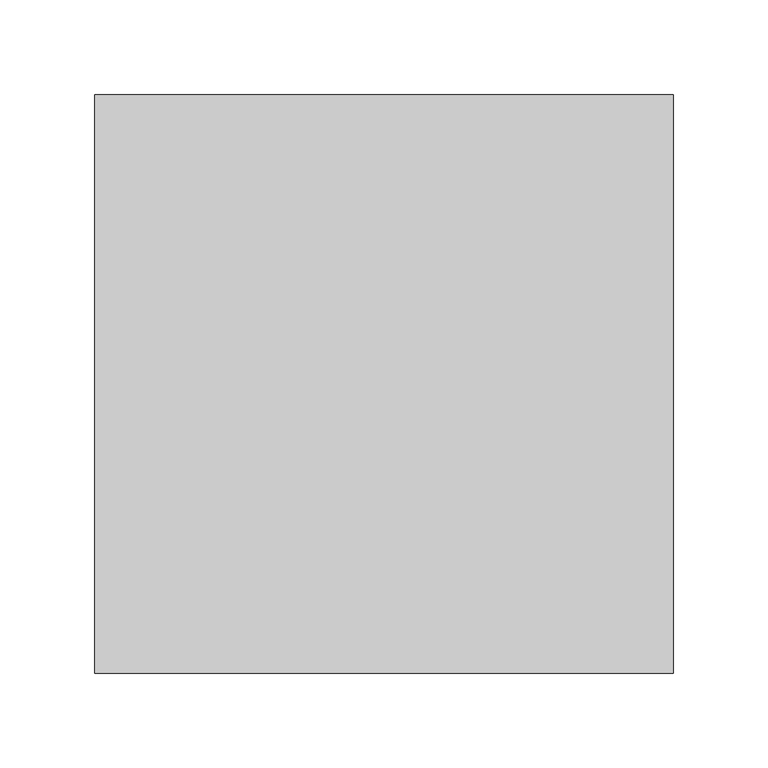
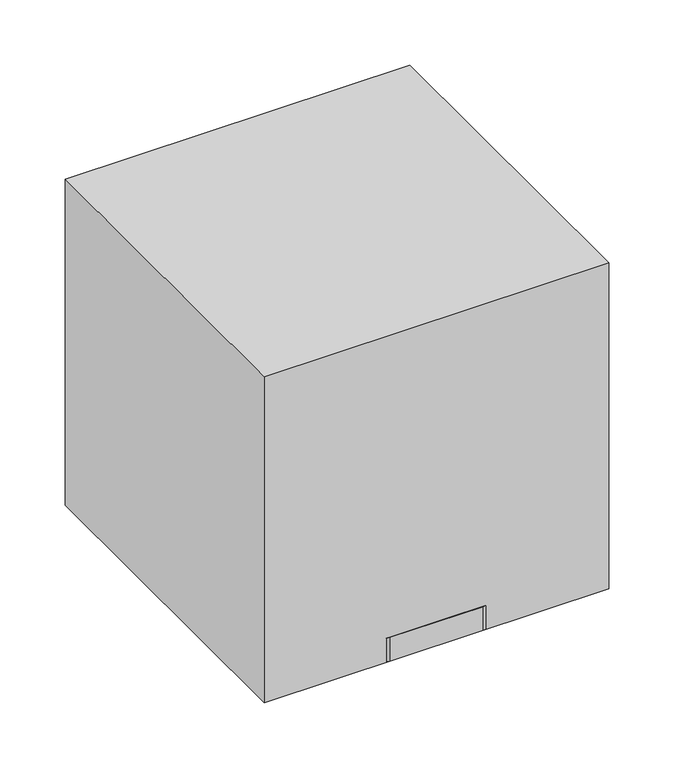
"""IFC4 building model written with IfcOpenShell, lengths in millimetres: proxy geometry."""

import ifcopenshell
import ifcopenshell.guid

model = None  # the IFC model being written
_history = None  # IfcOwnerHistory: only IFC2X3 demands one
_inside = {}  # id of a spatial element -> (the spatial element, [elements in it])
_under = {}  # id of a project, library or spatial element -> (it, [spatial elements below it])
_declared = {}  # id of a project -> (the project, [libraries it declares])
_typed = {}  # id of a type object -> (the type object, [elements of that type])
_made_of = {}  # id of a material, layer set ... -> (it, [elements and type objects made of it])


def new_model(schema):
    """Start an empty IFC model of exactly this schema.

    Asked for "IFC4X3", IfcOpenShell would pick the latest addendum, in which some entities
    have other attributes; the version numbers below select the first issue.
    IFC2X3 requires an IfcOwnerHistory on every rooted entity: one is made here for all.
    """
    global model, _history
    if schema == "IFC4X3":
        model = ifcopenshell.file(schema_version=(4, 3, 0, 0))
    else:
        model = ifcopenshell.file(schema=schema)
    _inside.clear()
    _under.clear()
    _declared.clear()
    _typed.clear()
    _made_of.clear()
    _history = None
    if model.schema == "IFC2X3":
        org = make("IfcOrganization", Name="unknown")
        user = make(
            "IfcPersonAndOrganization",
            ThePerson=make("IfcPerson", FamilyName="unknown"),
            TheOrganization=org,
        )
        app = make(
            "IfcApplication",
            ApplicationDeveloper=org,
            Version="unknown",
            ApplicationFullName="unknown",
            ApplicationIdentifier="unknown",
        )
        _history = make(
            "IfcOwnerHistory",
            OwningUser=user,
            OwningApplication=app,
            ChangeAction="ADDED",
            CreationDate=0,
        )
    return model


def make(cls, **values):
    """One entity of the class cls with the attributes given. An attribute that is None is left unset."""
    return model.create_entity(
        cls, **{name: value for name, value in values.items() if value is not None}
    )


def rooted(cls, **values):
    """An entity with a GlobalId (a new one), such as an element, a storey or a relation."""
    return make(cls, GlobalId=ifcopenshell.guid.new(), OwnerHistory=_history, **values)


def si_unit(unit_type, name, prefix=None):
    """IfcSIUnit, for example si_unit("LENGTHUNIT", "METRE", prefix="MILLI")."""
    return make("IfcSIUnit", UnitType=unit_type, Prefix=prefix, Name=name)


def assignment(units):
    """IfcUnitAssignment: the units of a project."""
    return None if units is None else make("IfcUnitAssignment", Units=units)


def point(xyz):
    """IfcCartesianPoint."""
    return None if xyz is None else make("IfcCartesianPoint", Coordinates=xyz)


def direction(xyz):
    """IfcDirection."""
    return None if xyz is None else make("IfcDirection", DirectionRatios=xyz)


def frame(location, z_axis=None, x_axis=None):
    """IfcAxis2Placement3D, a coordinate frame: its origin and axes. An axis left out is left unset."""
    return make(
        "IfcAxis2Placement3D",
        Location=point(location),
        Axis=direction(z_axis),
        RefDirection=direction(x_axis),
    )


def frame_2d(location, x_axis=None):
    """IfcAxis2Placement2D, a coordinate frame in the plane: its origin and x axis."""
    return make(
        "IfcAxis2Placement2D", Location=point(location), RefDirection=direction(x_axis)
    )


def origin():
    """The frame at (0, 0, 0) with its axes left unset."""
    return frame((0.0, 0.0, 0.0))


def origin_with_axes():
    """The frame at (0, 0, 0) with the z axis (0, 0, 1) and the x axis (1, 0, 0) written out."""
    return frame((0.0, 0.0, 0.0), z_axis=(0.0, 0.0, 1.0), x_axis=(1.0, 0.0, 0.0))


def origin_2d():
    """The frame at (0, 0) in the plane with its x axis left unset."""
    return frame_2d((0.0, 0.0))


def place(relative_to, where):
    """IfcLocalPlacement: puts the frame where relative to a parent placement (None: the world)."""
    return make(
        "IfcLocalPlacement", PlacementRelTo=relative_to, RelativePlacement=where
    )


def context(
    kind, dimensions, precision=None, world=None, true_north=None, identifier=None
):
    """IfcGeometricRepresentationContext, for example the 3D "Model" context."""
    return make(
        "IfcGeometricRepresentationContext",
        ContextIdentifier=identifier,
        ContextType=kind,
        CoordinateSpaceDimension=dimensions,
        Precision=precision,
        WorldCoordinateSystem=world,
        TrueNorth=true_north,
    )


def project(units=None, contexts=None):
    """IfcProject with its units and contexts."""
    return rooted(
        "IfcProject",
        Name="project",
        RepresentationContexts=contexts,
        UnitsInContext=assignment(units),
    )


def spatial(cls, under=None, at=None, **own):
    """A site, building, storey or space (cls), placed at a placement, below another one or the project."""
    s = rooted(cls, ObjectPlacement=at, **own)
    if under is not None:
        _under.setdefault(under.id(), (under, []))[1].append(s)
    return s


def polyline(points):
    """IfcPolyline through the points."""
    return make("IfcPolyline", Points=[point(p) for p in points])


def circle_curve(where, radius):
    """IfcCircle in the frame where."""
    return make("IfcCircle", Position=where, Radius=radius)


def ellipse_curve(where, semi_axis1, semi_axis2):
    """IfcEllipse in the frame where."""
    return make(
        "IfcEllipse", Position=where, SemiAxis1=semi_axis1, SemiAxis2=semi_axis2
    )


def trimmed(basis, trim1, trim2, sense, master):
    """IfcTrimmedCurve: the piece of a basis curve between two trims."""
    return make(
        "IfcTrimmedCurve",
        BasisCurve=basis,
        Trim1=trim1,
        Trim2=trim2,
        SenseAgreement=sense,
        MasterRepresentation=master,
    )


def segment(curve, same_sense, transition):
    """IfcCompositeCurveSegment."""
    return make(
        "IfcCompositeCurveSegment",
        Transition=transition,
        SameSense=same_sense,
        ParentCurve=curve,
    )


def composite_curve(segments, self_intersect=None):
    """IfcCompositeCurve: segments joined end to end."""
    return make("IfcCompositeCurve", Segments=segments, SelfIntersect=self_intersect)


def outline(outer, holes=None, kind="AREA"):
    """IfcArbitraryClosedProfileDef: a profile drawn as a closed curve; with holes, ...WithVoids."""
    if holes is None:
        return make("IfcArbitraryClosedProfileDef", ProfileType=kind, OuterCurve=outer)
    return make(
        "IfcArbitraryProfileDefWithVoids",
        ProfileType=kind,
        OuterCurve=outer,
        InnerCurves=holes,
    )


def extrude(swept, where, along, depth):
    """IfcExtrudedAreaSolid: the profile swept, set in the frame where, extruded along a direction by depth."""
    return make(
        "IfcExtrudedAreaSolid",
        SweptArea=swept,
        Position=where,
        ExtrudedDirection=direction(along),
        Depth=depth,
    )


def shape(context_of_items, identifier, shape_type, items):
    """IfcShapeRepresentation: the items that make up one representation, for example the "Body"."""
    return make(
        "IfcShapeRepresentation",
        ContextOfItems=context_of_items,
        RepresentationIdentifier=identifier,
        RepresentationType=shape_type,
        Items=items,
    )


def source(mapping_origin, context_of_items, identifier, shape_type, items):
    """IfcRepresentationMap: a shape defined once, which mapped items show again and again."""
    return make(
        "IfcRepresentationMap",
        MappingOrigin=mapping_origin,
        MappedRepresentation=shape(context_of_items, identifier, shape_type, items),
    )


def transform(
    local_origin,
    x_axis=None,
    y_axis=None,
    z_axis=None,
    scale=None,
    scale2=None,
    scale3=None,
    uniform=True,
):
    """IfcCartesianTransformationOperator3D, or its non-uniform kind. x_axis, y_axis, z_axis: its Axis1, 2, 3."""
    if uniform:
        return make(
            "IfcCartesianTransformationOperator3D",
            Axis1=direction(x_axis),
            Axis2=direction(y_axis),
            LocalOrigin=point(local_origin),
            Scale=scale,
            Axis3=direction(z_axis),
        )
    return make(
        "IfcCartesianTransformationOperator3DnonUniform",
        Axis1=direction(x_axis),
        Axis2=direction(y_axis),
        LocalOrigin=point(local_origin),
        Scale=scale,
        Axis3=direction(z_axis),
        Scale2=scale2,
        Scale3=scale3,
    )


def mapped(mapping_source, mapping_target):
    """IfcMappedItem: shows the shape of a source again, moved by a transform."""
    return make(
        "IfcMappedItem", MappingSource=mapping_source, MappingTarget=mapping_target
    )


def made_of(thing, what):
    """Note that an element or type object is made of a material, layer set ...; save() writes the relation."""
    if what is not None:
        _made_of.setdefault(what.id(), (what, []))[1].append(thing)
    return thing


def element(
    cls,
    number,
    at=None,
    inside=None,
    cuts=None,
    type_object=None,
    material=None,
    context=None,
    identifier="Body",
    shape_type=None,
    held_by="IfcProductDefinitionShape",
    body=None,
    shapes=None,
    **own,
):
    """One element of the class cls, such as IfcWall. Its Tag is "e" and its number.

    at: its placement. inside: the storey or other place that contains it. cuts: it is an
    opening in that element (IfcRelVoidsElement). A single representation is given by context,
    identifier, shape_type and body (its items); several are given by shapes. held_by: the class
    of the entity that holds the representations. save() writes the other relations.
    """
    e = rooted(cls, Tag="e%d" % number, ObjectPlacement=at, **own)
    if body is not None:
        shapes = [shape(context, identifier, shape_type, body)]
    if shapes is not None:
        e.Representation = make(held_by, Representations=shapes)
    if inside is not None:
        _inside.setdefault(inside.id(), (inside, []))[1].append(e)
    if cuts is not None:
        rooted(
            "IfcRelVoidsElement", RelatingBuildingElement=cuts, RelatedOpeningElement=e
        )
    if type_object is not None:
        _typed.setdefault(type_object.id(), (type_object, []))[1].append(e)
    return made_of(e, material)


def aggregate(whole, parts):
    """IfcRelAggregates: a whole, such as a stair, and the parts it consists of."""
    return rooted("IfcRelAggregates", RelatingObject=whole, RelatedObjects=parts)


def save(model, path):
    """Write the relations noted so far, then the file.

    IfcRelAggregates (storeys below a building ...), IfcRelContainedInSpatialStructure (elements
    in a storey), IfcRelDefinesByType, IfcRelAssociatesMaterial and IfcRelDeclares: one each for
    every whole, place, type object, material and project.
    """
    for whole, parts in _under.values():
        aggregate(whole, parts)
    for where, things in _inside.values():
        rooted(
            "IfcRelContainedInSpatialStructure",
            RelatedElements=things,
            RelatingStructure=where,
        )
    for kind, things in _typed.values():
        rooted("IfcRelDefinesByType", RelatedObjects=things, RelatingType=kind)
    for what, things in _made_of.values():
        rooted("IfcRelAssociatesMaterial", RelatedObjects=things, RelatingMaterial=what)
    for by, libraries in _declared.values():
        rooted("IfcRelDeclares", RelatingContext=by, RelatedDefinitions=libraries)
    model.write(path)


def plane_surface(at):
    """IfcPlane: the flat surface through the origin of the frame at, square to its z axis."""
    return make("IfcPlane", Position=at)


def revolved_surface(curve, axis_point, axis_direction):
    """IfcSurfaceOfRevolution: the curve turned about the line through axis_point along axis_direction."""
    return make(
        "IfcSurfaceOfRevolution",
        SweptCurve=make("IfcArbitraryOpenProfileDef", ProfileType="CURVE", Curve=curve),
        AxisPosition=make("IfcAxis1Placement", Location=point(axis_point), Axis=direction(axis_direction)),
    )


def advanced_brep(points, edges, surfaces, faces):
    """IfcAdvancedBrep: a solid bounded by faces that lie on surfaces and meet in shared edges.

    An edge is (start, end): straight between two places in points (the first is 0);
    or (start, end, curve); or (start, end, curve, False) where it runs against its curve.
    A face is (place in surfaces, loops), or (place, loops, False) where it looks against
    its surface's normal. A loop lists edges by number (the first is 1), with a minus sign
    where the edge is run from its end to its start. The first loop is the outer one.
    """
    corners = [point(p) for p in points]
    vertices = [make("IfcVertexPoint", VertexGeometry=c) for c in corners]
    made = []
    for start, end, *more in edges:
        made.append(
            make(
                "IfcEdgeCurve",
                EdgeStart=vertices[start],
                EdgeEnd=vertices[end],
                EdgeGeometry=more[0] if more else make("IfcPolyline", Points=[corners[start], corners[end]]),
                SameSense=more[1] if len(more) > 1 else True,
            )
        )
    hull = []
    for where, loops, *sense in faces:
        bounds = []
        for j, loop in enumerate(loops):
            ring = [make("IfcOrientedEdge", EdgeElement=made[abs(k) - 1], Orientation=k > 0) for k in loop]
            bounds.append(
                make(
                    "IfcFaceOuterBound" if j == 0 else "IfcFaceBound",
                    Bound=make("IfcEdgeLoop", EdgeList=ring),
                    Orientation=True,
                )
            )
        hull.append(make("IfcAdvancedFace", Bounds=bounds, FaceSurface=surfaces[where], SameSense=sense[0] if sense else True))
    return make("IfcAdvancedBrep", Outer=make("IfcClosedShell", CfsFaces=hull))


def specialty_equipment_5596d368(model_context):
    return source(origin(), model_context, "Body", "SolidModel", [
        extrude(outline(composite_curve([segment(trimmed(circle_curve(origin_2d(), 1.5875), [point((0.0, 1.5875))], [point((0.0, -1.5875001))], False, "CARTESIAN"), True, "CONTINUOUS"), segment(trimmed(circle_curve(origin_2d(), 1.5875), [point((0.0, -1.5875001))], [point((0.0, 1.5875))], False, "CARTESIAN"), True, "CONTINUOUS")], self_intersect=False)), frame((0.0, 55.6532473, 31.0200167), z_axis=(0.0, 0.4226182617407002, 0.9063077870366497), x_axis=(1.0, 0.0, 0.0)), (0.0, 0.0, 1.0), 25.4),
        advanced_brep(
        [(9.4955556, 53.975, 22.225), (-9.4955556, 53.975, 22.225), (0.0, 53.975, 31.7205556), (0.0, 53.975, 22.225)],
        [
            (0, 1, circle_curve(frame((0.0, 53.975, 22.225), z_axis=(0.0, 0.0, 1.0), x_axis=(-1.0, 0.0, 0.0)), 9.4955556)),
            (1, 2, circle_curve(frame((0.0, 53.975, 22.225), z_axis=(0.0, 1.0, 0.0), x_axis=(1.0, 0.0, 0.0)), 9.4955556)),
            (2, 0, circle_curve(frame((0.0, 53.975, 22.225), z_axis=(0.0, 1.0, 0.0), x_axis=(-1.0, 0.0, 0.0)), 9.4955556)),
            (1, 0, circle_curve(frame((0.0, 53.975, 22.225), z_axis=(0.0, 0.0, 1.0), x_axis=(-1.0, 0.0, 0.0)), 9.4955556)),
            (3, 1),
            (0, 3),
        ],
        [
            revolved_surface(trimmed(ellipse_curve(frame((0.0, 53.975, 22.225), z_axis=(0.0, -1.0, 0.0), x_axis=(1.0, 0.0, 0.0)), 9.4955556, 9.4955556), [point((0.0, 53.975, 31.7205556))], [point((-9.4955556, 53.975, 22.225))], True, "CARTESIAN"), (0.0, 53.975, 31.7205556), (0.0, 0.0, -1.0)),
            plane_surface(frame((0.0, 53.975, 22.225), z_axis=(0.0, 0.0, -1.0), x_axis=(-1.0, 0.0, 0.0))),
        ],
        [
            (0, [[1, 2, 3]]),
            (0, [[4, -3, -2]]),
            (1, [[5, -1, 6]]),
            (1, [[-6, -4, -5]]),
        ],
    ),
        extrude(outline(composite_curve([segment(polyline([(41.275, 0.0), (-41.275, 0.0)]), True, "CONTINUOUS"), segment(trimmed(circle_curve(frame_2d((-41.275, 12.7)), 12.7), [point((-41.275, 0.0))], [point((-53.975, 12.7))], False, "CARTESIAN"), True, "CONTINUOUS"), segment(polyline([(-53.975, 12.7), (-53.975, 95.25)]), True, "CONTINUOUS"), segment(trimmed(circle_curve(frame_2d((-41.275, 95.25)), 12.7), [point((-53.975, 95.25))], [point((-41.275, 107.95))], False, "CARTESIAN"), True, "CONTINUOUS"), segment(polyline([(-41.275, 107.95), (41.275, 107.95)]), True, "CONTINUOUS"), segment(trimmed(circle_curve(frame_2d((41.275, 95.25)), 12.7), [point((41.275, 107.95))], [point((53.975, 95.25))], False, "CARTESIAN"), True, "CONTINUOUS"), segment(polyline([(53.975, 95.25), (53.975, 12.7)]), True, "CONTINUOUS"), segment(trimmed(circle_curve(frame_2d((41.275, 12.7)), 12.7), [point((53.975, 12.7))], [point((41.275, 0.0))], False, "CARTESIAN"), True, "CONTINUOUS")], self_intersect=False)), origin_with_axes(), (0.0, 0.0, 1.0), 22.225),
        extrude(outline(polyline([(152.4, 304.8), (152.4, 0.0), (-152.4, 0.0), (-152.4, 304.8), (152.4, 304.8)])), origin_with_axes(), (0.0, 0.0, 1.0), 304.8),
    ])


if __name__ == "__main__":
    model = new_model("IFC4")
    model_context = context("Model", 3, world=origin())
    ifc_project = project(units=[si_unit("LENGTHUNIT", "METRE", prefix="MILLI")], contexts=[model_context])
    site = spatial("IfcSite", under=ifc_project)
    building = spatial("IfcBuilding", under=site)
    placement = place(None, origin())
    specialty_equipment_shape = specialty_equipment_5596d368(model_context)
    element("IfcBuildingElementProxy", 1, Name="Specialty Equipment", at=placement, inside=building, context=model_context, shape_type="MappedRepresentation", body=[
        mapped(specialty_equipment_shape, transform((0.0, 0.0, 0.0), x_axis=(1.0, 0.0, 0.0), y_axis=(0.0, 1.0, 0.0), z_axis=(0.0, 0.0, 1.0))),
    ])
    save(model, "model.ifc")
